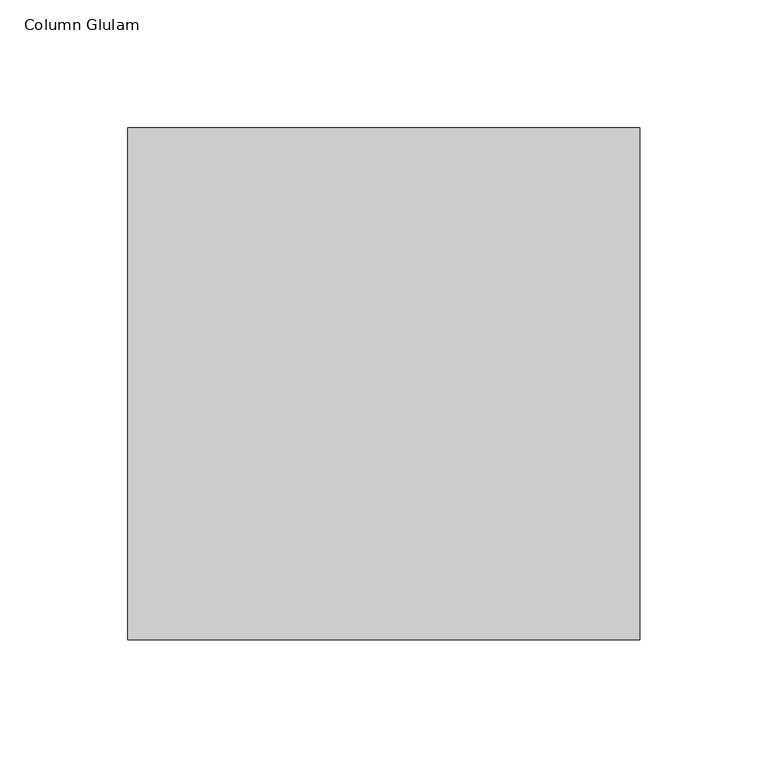
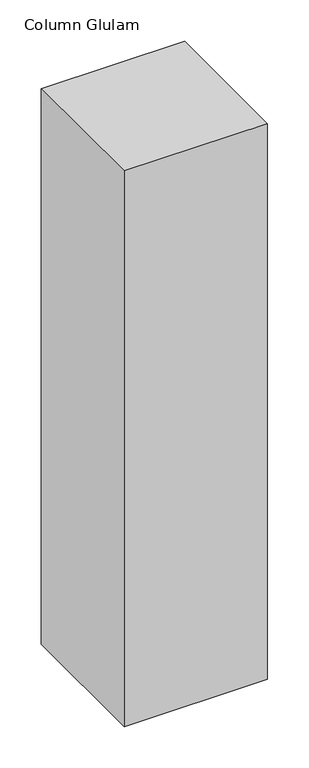
"""IFC4 building model written with IfcOpenShell, lengths in millimetres: column geometry, Column Glulam."""

from ifc_helpers import new_model, si_unit, frame, origin, place, context, project, spatial, polyline, outline, extrude, source, transform, mapped, element, save


def column_glulam_7334bfb3(model_context):
    return source(origin(), model_context, "Body", "SweptSolid", [
        extrude(outline(polyline([(100.0, 100.0), (100.0, -100.0), (-100.0, -100.0), (-100.0, 100.0), (100.0, 100.0)])), frame((0.0, 0.0, 4880.0), z_axis=(0.0, 0.0, 1.0), x_axis=(1.0, 0.0, 0.0)), (0.0, 0.0, 1.0), 820.0),
    ])


if __name__ == "__main__":
    model = new_model("IFC4")
    model_context = context("Model", 3, world=origin())
    ifc_project = project(units=[si_unit("LENGTHUNIT", "METRE", prefix="MILLI")], contexts=[model_context])
    site = spatial("IfcSite", under=ifc_project)
    building = spatial("IfcBuilding", under=site)
    placement = place(None, origin())
    column_glulam_shape = column_glulam_7334bfb3(model_context)
    element("IfcColumn", 1, ObjectType="Column Glulam", at=placement, inside=building, context=model_context, shape_type="MappedRepresentation", body=[
        mapped(column_glulam_shape, transform((0.0, 0.0, 0.0), x_axis=(1.0, 0.0, 0.0), y_axis=(0.0, 1.0, 0.0), z_axis=(0.0, 0.0, 1.0))),
    ])
    save(model, "model.ifc")
